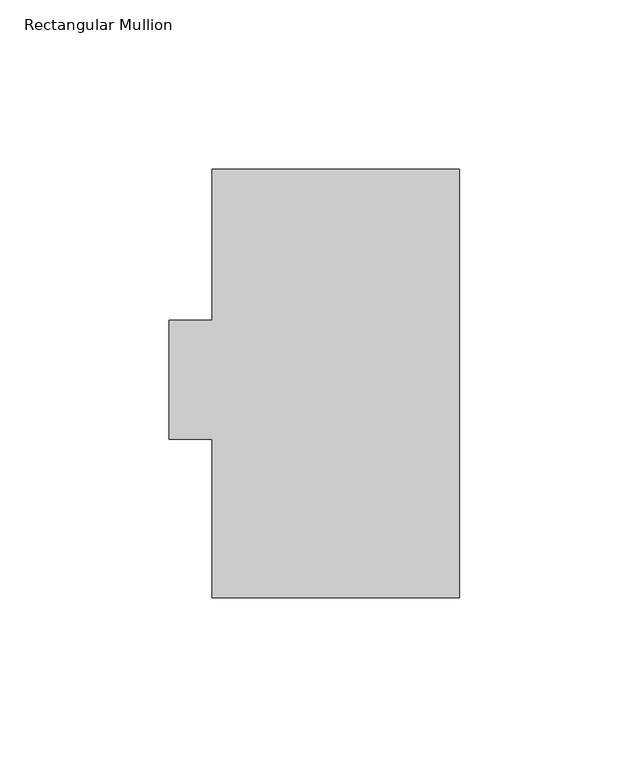
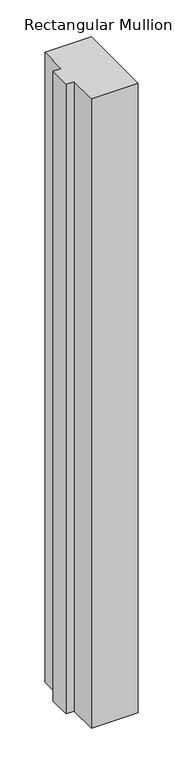
"""IFC4 building model written with IfcOpenShell, lengths in millimetres: member geometry, Rectangular Mullion."""

from ifc_helpers import new_model, si_unit, frame, origin, place, context, project, spatial, polyline, outline, extrude, source, transform, mapped, element, save


def rectangular_mullion_b061a037(model_context):
    return source(origin(), model_context, "Body", "SweptSolid", [
        extrude(outline(polyline([(-73.025, 124.5750938), (0.0, 124.5750938), (0.0, -1.9169062), (-73.025, -1.9169062), (-73.025, 44.9460938), (-85.725, 44.9460938), (-85.725, 80.1250937), (-73.025, 80.1250937), (-73.025, 124.5750938)])), frame((0.0, 0.0, -1041.3994574), z_axis=(0.0, 0.0, 1.0), x_axis=(1.0, 0.0, 0.0)), (0.0, 0.0, 1.0), 1041.3994574),
    ])


if __name__ == "__main__":
    model = new_model("IFC4")
    model_context = context("Model", 3, world=origin())
    ifc_project = project(units=[si_unit("LENGTHUNIT", "METRE", prefix="MILLI")], contexts=[model_context])
    site = spatial("IfcSite", under=ifc_project)
    building = spatial("IfcBuilding", under=site)
    placement = place(None, origin())
    rectangular_mullion_shape = rectangular_mullion_b061a037(model_context)
    element("IfcMember", 1, ObjectType="Rectangular Mullion", at=placement, inside=building, context=model_context, shape_type="MappedRepresentation", body=[
        mapped(rectangular_mullion_shape, transform((0.0, 0.0, 0.0), x_axis=(1.0, 0.0, 0.0), y_axis=(0.0, 1.0, 0.0), z_axis=(0.0, 0.0, 1.0))),
    ])
    save(model, "model.ifc")
